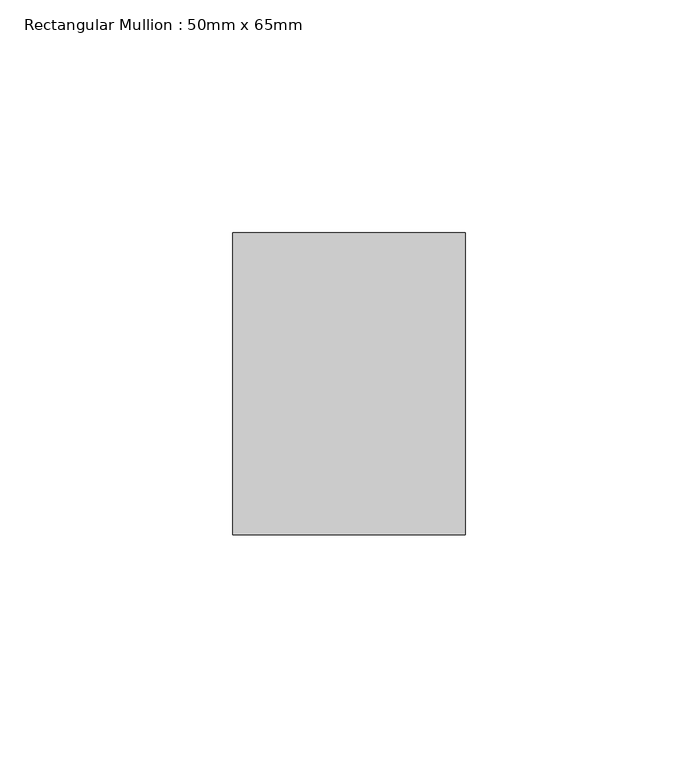
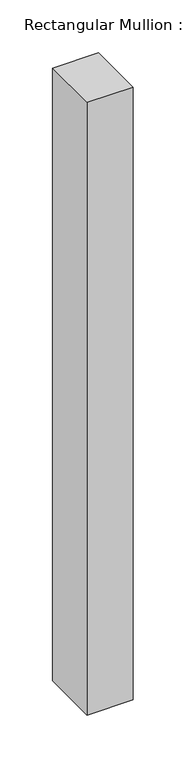
"""IFC4 building model written with IfcOpenShell, lengths in millimetres: member geometry, Rectangular Mullion : 50mm x 65mm."""

from ifc_helpers import new_model, si_unit, frame, origin, place, context, project, spatial, polyline, outline, extrude, source, transform, mapped, element, save


def rectangular_mullion_50mm_x_65mm_d7076775(model_context):
    return source(origin(), model_context, "Body", "SweptSolid", [
        extrude(outline(polyline([(25.0, 32.5), (25.0, -32.5), (-25.0, -32.5), (-25.0, 32.5), (25.0, 32.5)])), frame((0.0, 0.0, -705.772786), z_axis=(0.0, 0.0, 1.0), x_axis=(1.0, 0.0, 0.0)), (0.0, 0.0, 1.0), 705.772786),
    ])


if __name__ == "__main__":
    model = new_model("IFC4")
    model_context = context("Model", 3, world=origin())
    ifc_project = project(units=[si_unit("LENGTHUNIT", "METRE", prefix="MILLI")], contexts=[model_context])
    site = spatial("IfcSite", under=ifc_project)
    building = spatial("IfcBuilding", under=site)
    placement = place(None, origin())
    rectangular_mullion_50mm_x_65mm_shape = rectangular_mullion_50mm_x_65mm_d7076775(model_context)
    element("IfcMember", 1, ObjectType="Rectangular Mullion : 50mm x 65mm", at=placement, inside=building, context=model_context, shape_type="MappedRepresentation", body=[
        mapped(rectangular_mullion_50mm_x_65mm_shape, transform((0.0, 0.0, 0.0), x_axis=(1.0, 0.0, 0.0), y_axis=(0.0, 1.0, 0.0), z_axis=(0.0, 0.0, 1.0))),
    ])
    save(model, "model.ifc")
